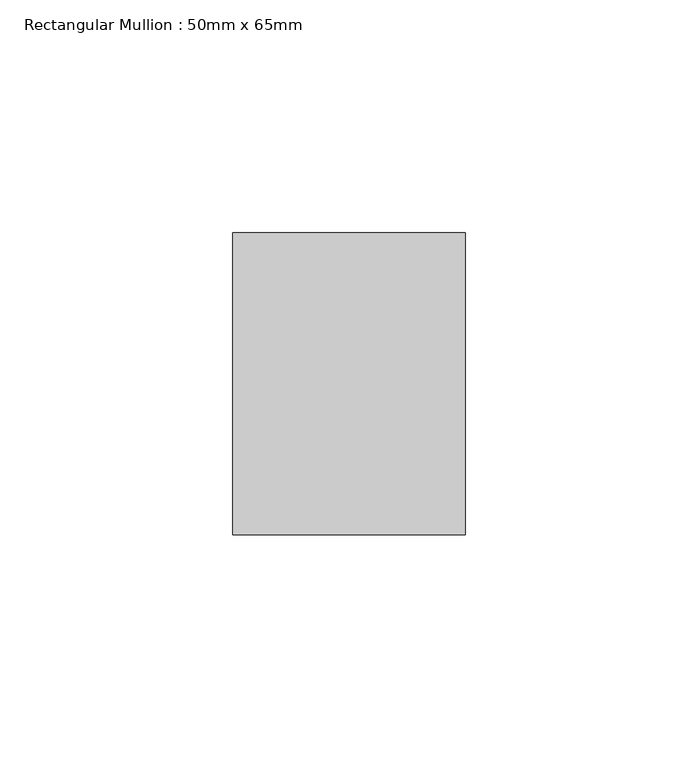
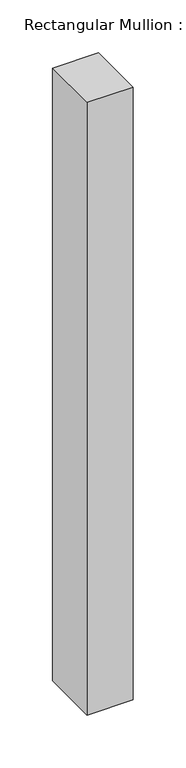
"""IFC4 building model written with IfcOpenShell, lengths in millimetres: member geometry, Rectangular Mullion : 50mm x 65mm."""

from ifc_helpers import new_model, si_unit, frame, origin, place, context, project, spatial, polyline, outline, extrude, source, transform, mapped, element, save


def rectangular_mullion_50mm_x_65mm_781a18ef(model_context):
    return source(origin(), model_context, "Body", "SweptSolid", [
        extrude(outline(polyline([(25.0, 32.5), (25.0, -32.5), (-25.0, -32.5), (-25.0, 32.5), (25.0, 32.5)])), frame((0.0, 0.0, -705.772742), z_axis=(0.0, 0.0, 1.0), x_axis=(1.0, 0.0, 0.0)), (0.0, 0.0, 1.0), 705.772742),
    ])


if __name__ == "__main__":
    model = new_model("IFC4")
    model_context = context("Model", 3, world=origin())
    ifc_project = project(units=[si_unit("LENGTHUNIT", "METRE", prefix="MILLI")], contexts=[model_context])
    site = spatial("IfcSite", under=ifc_project)
    building = spatial("IfcBuilding", under=site)
    placement = place(None, origin())
    rectangular_mullion_50mm_x_65mm_shape = rectangular_mullion_50mm_x_65mm_781a18ef(model_context)
    element("IfcMember", 1, ObjectType="Rectangular Mullion : 50mm x 65mm", at=placement, inside=building, context=model_context, shape_type="MappedRepresentation", body=[
        mapped(rectangular_mullion_50mm_x_65mm_shape, transform((0.0, 0.0, 0.0), x_axis=(1.0, 0.0, 0.0), y_axis=(0.0, 1.0, 0.0), z_axis=(0.0, 0.0, 1.0))),
    ])
    save(model, "model.ifc")
